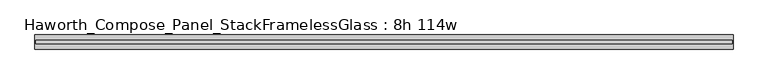
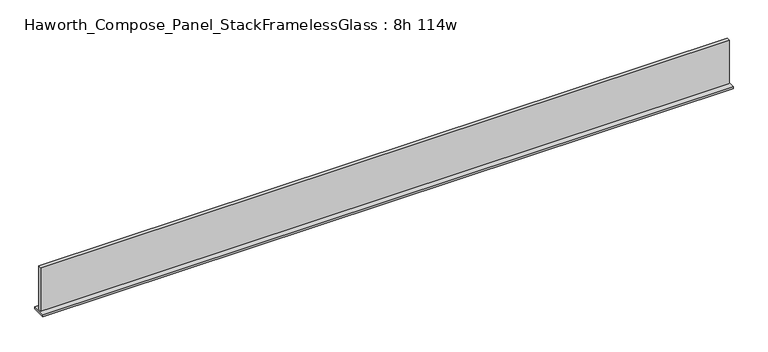
"""IFC4 building model written with IfcOpenShell, lengths in millimetres: furniture geometry, Haworth_Compose_Panel_StackFramelessGlass : 8h 114w."""

from ifc_helpers import new_model, si_unit, frame, origin, place, context, project, spatial, polyline, outline, extrude, source, transform, mapped, element, save


def haworth_compose_panel_stackframelessglass_8h_114w_90388039(model_context):
    return source(origin(), model_context, "Body", "SweptSolid", [
        extrude(outline(polyline([(1447.0652902, -27.3093594), (-1442.1847098, -27.3093594), (-1442.1847098, -14.6093594), (1447.0652902, -14.6093594), (1447.0652902, -27.3093594)])), frame((0.0, 0.0, 1279.525), z_axis=(0.0, 0.0, 1.0), x_axis=(1.0, 0.0, 0.0)), (0.0, 0.0, 1.0), 193.675),
        extrude(outline(polyline([(-1445.3597098, -50.3281094), (-1445.3597098, 8.4093906), (1450.2402902, 8.4093906), (1450.2402902, -50.3281094), (-1445.3597098, -50.3281094)])), frame((0.0, 0.0, 1270.0), z_axis=(0.0, 0.0, 1.0), x_axis=(1.0, 0.0, 0.0)), (0.0, 0.0, 1.0), 9.525),
    ])


if __name__ == "__main__":
    model = new_model("IFC4")
    model_context = context("Model", 3, world=origin())
    ifc_project = project(units=[si_unit("LENGTHUNIT", "METRE", prefix="MILLI")], contexts=[model_context])
    site = spatial("IfcSite", under=ifc_project)
    building = spatial("IfcBuilding", under=site)
    placement = place(None, origin())
    haworth_compose_panel_stackframelessglass_8h_114w_shape = haworth_compose_panel_stackframelessglass_8h_114w_90388039(model_context)
    element("IfcFurniture", 1, ObjectType="Haworth_Compose_Panel_StackFramelessGlass : 8h 114w", at=placement, inside=building, context=model_context, shape_type="MappedRepresentation", body=[
        mapped(haworth_compose_panel_stackframelessglass_8h_114w_shape, transform((0.0, 0.0, 0.0), x_axis=(1.0, 0.0, 0.0), y_axis=(0.0, 1.0, 0.0), z_axis=(0.0, 0.0, 1.0))),
    ])
    save(model, "model.ifc")
